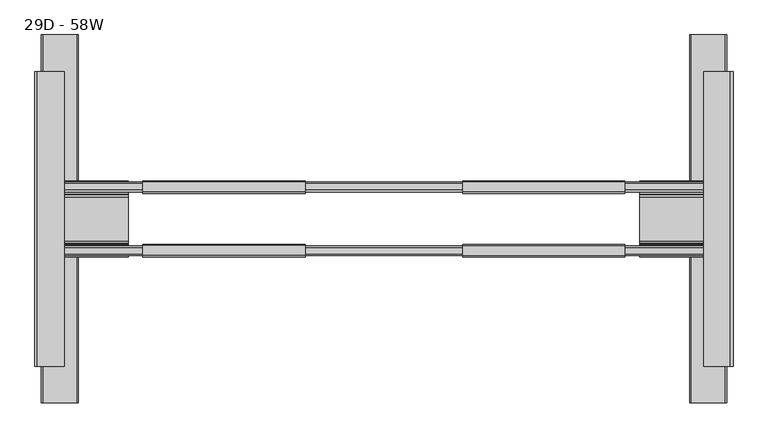
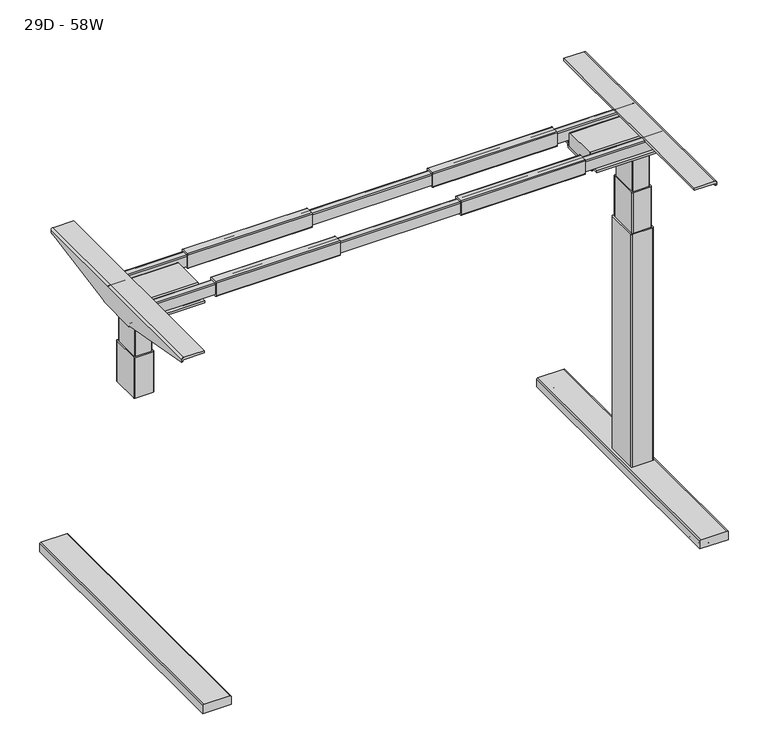
"""IFC4 building model written with IfcOpenShell, lengths in millimetres: furniture geometry, 29D - 58W."""

from ifc_helpers import new_model, si_unit, point, frame, frame_2d, origin, place, context, project, spatial, polyline, circle_curve, ellipse_curve, trimmed, segment, composite_curve, outline, extrude, source, transform, mapped, element, save
from ifc_brep_helpers import plane_surface, cylinder_surface, revolved_surface, advanced_brep


def furniture_29d_58w_14f71cb7(model_context):
    return source(origin(), model_context, "Body", "SolidModel", [
        advanced_brep(
        [(535.2852115, -150.3334851, 909.1839466), (538.0820226, -150.3334851, 909.1839466), (538.0820226, -385.7888843, 951.3697958), (535.2852115, -385.7888843, 951.3697958), (535.2852115, -146.691027, 905.5414885), (538.0820226, -146.691027, 905.5414885), (538.0820226, -389.9070922, 955.4880037), (535.2852115, -389.9070922, 955.4880037), (535.2852115, 210.2484, 955.4880037), (538.0820226, 210.2484, 955.4880037), (538.0820226, 206.1301921, 951.3697958), (535.2852115, 206.1301921, 951.3697958), (535.2852115, -29.325207, 909.1839466), (538.0820226, -29.325207, 909.1839466), (538.0820226, -32.9676652, 905.5414885), (535.2852115, -32.9676652, 905.5414885), (535.2852115, 210.5027662, 955.4880037), (538.0820226, 210.5027662, 955.4880037), (538.0820226, -389.9070922, 959.4495755), (532.6935981, -389.9070922, 964.838), (478.2709178, -389.9070922, 964.838), (478.2709178, -389.9070922, 958.7516941), (532.6935981, -389.9070922, 958.7516941), (535.2852115, -389.9070922, 956.1600806), (535.2852115, 210.5027662, 956.1600806), (532.6935981, 210.5027662, 958.7516941), (478.2709178, 210.5027662, 958.7516941), (478.2709178, 210.5027662, 964.838), (532.6935981, 210.5027662, 964.838), (538.0820226, 210.5027662, 959.4495755)],
        [
            (0, 1),
            (1, 2),
            (2, 3),
            (3, 0),
            (0, 4),
            (4, 5),
            (5, 1),
            (2, 6, circle_curve(frame((538.0820226, -385.7888843, 955.4880037), z_axis=(-1.0, 0.0, 0.0), x_axis=(0.0, -1.0, 0.0)), 4.1182079)),
            (6, 7),
            (7, 3, circle_curve(frame((535.2852115, -385.7888843, 955.4880037), z_axis=(1.0, 0.0, 0.0), x_axis=(0.0, -1.0, 0.0)), 4.1182079)),
            (8, 9),
            (9, 10, circle_curve(frame((538.0820226, 206.1301921, 955.4880037), z_axis=(-1.0, 0.0, 0.0), x_axis=(0.0, -1.0, 0.0)), 4.1182079)),
            (10, 11),
            (11, 8, circle_curve(frame((535.2852115, 206.1301921, 955.4880037), z_axis=(1.0, 0.0, 0.0), x_axis=(0.0, -1.0, 0.0)), 4.1182079)),
            (12, 13),
            (13, 14),
            (14, 15),
            (15, 12),
            (12, 11),
            (10, 13),
            (8, 16),
            (16, 17),
            (17, 9),
            (18, 19, circle_curve(frame((532.6935981, -389.9070922, 959.4495755), z_axis=(0.0, -1.0, 0.0), x_axis=(-1.0, 0.0, 0.0)), 5.3884245)),
            (19, 20),
            (20, 21),
            (21, 22),
            (22, 23, circle_curve(frame((532.6935981, -389.9070922, 956.1600806), z_axis=(0.0, 1.0, 0.0), x_axis=(-1.0, 0.0, 0.0)), 2.5916134)),
            (23, 7),
            (6, 18),
            (24, 25, circle_curve(frame((532.6935981, 210.5027662, 956.1600806), z_axis=(0.0, -1.0, 0.0), x_axis=(-1.0, 0.0, 0.0)), 2.5916134)),
            (25, 26),
            (26, 27),
            (27, 28),
            (28, 29, circle_curve(frame((532.6935981, 210.5027662, 959.4495755), z_axis=(0.0, 1.0, 0.0), x_axis=(-1.0, 0.0, 0.0)), 5.3884245)),
            (29, 17),
            (16, 24),
            (4, 15),
            (14, 5),
            (29, 18),
            (28, 19),
            (27, 20),
            (26, 21),
            (25, 22),
            (24, 23),
        ],
        [
            plane_surface(frame((907.5476074, -150.3334851, 909.1839466), z_axis=(0.0, -0.1763587768743843, -0.9843259530355639), x_axis=(-1.0, 0.0, 0.0))),
            plane_surface(frame((907.5476074, -144.9875385, 903.838), z_axis=(0.0, -0.7071067811840801, -0.7071067811890149), x_axis=(-1.0, 0.0, 0.0))),
            cylinder_surface(frame((524.8481849, -385.7888843, 955.4880037), z_axis=(-1.0, 0.0, 0.0), x_axis=(0.0, -1.0, 0.0)), 4.1182079),
            cylinder_surface(frame((381.0453952, 206.1301921, 955.4880037), z_axis=(-1.0, 0.0, 0.0), x_axis=(0.0, -1.0, 0.0)), 4.1182079),
            plane_surface(frame((907.5476074, -29.325207, 909.1839466), z_axis=(0.0, 0.7071067811846822, -0.7071067811884129), x_axis=(-1.0, 0.0, 0.0))),
            plane_surface(frame((907.5476074, 206.1301921, 951.3697958), z_axis=(0.0, 0.17635877687436452, -0.9843259530355675), x_axis=(-1.0, 0.0, 0.0))),
            plane_surface(frame((907.5476074, 226.0429078, 955.4880037), z_axis=(0.0, 0.0, -1.0), x_axis=(-1.0, 0.0, 0.0))),
            plane_surface(frame((535.2852115, -389.9070922, 905.5414885), z_axis=(0.0, -1.0, 0.0), x_axis=(1.0, 0.0, 0.0))),
            plane_surface(frame((535.2852115, 210.5027662, 905.5414885), z_axis=(0.0, 1.0, 0.0), x_axis=(-1.0, 0.0, 0.0))),
            plane_surface(frame((535.2852115, -389.9070922, 905.5414885), z_axis=(0.0, 0.0, -1.0), x_axis=(0.0, 1.0, 0.0))),
            plane_surface(frame((538.0820226, -389.9070922, 905.5414885), z_axis=(1.0, 0.0, 0.0), x_axis=(0.0, 1.0, 0.0))),
            cylinder_surface(frame((532.6935981, 210.5027662, 959.4495755), z_axis=(0.0, -1.0, 0.0), x_axis=(-1.0, 0.0, 0.0)), 5.3884245),
            plane_surface(frame((532.6935981, -389.9070922, 964.838), z_axis=(0.0, 0.0, 1.0), x_axis=(0.0, 1.0, 0.0))),
            plane_surface(frame((478.2709178, -389.9070922, 964.838), z_axis=(-1.0, 0.0, 0.0), x_axis=(0.0, 1.0, 0.0))),
            plane_surface(frame((478.2709178, -389.9070922, 958.7516941), z_axis=(0.0, 0.0, -1.0), x_axis=(0.0, 1.0, 0.0))),
            revolved_surface(polyline([(530.1019847, 210.5027662, 956.1600806), (530.1019847, -389.9070922000001, 956.1600806)]), (532.6935981, 210.5027662, 956.1600806), (0.0, 1.0, 0.0)),
            plane_surface(frame((535.2852115, -389.9070922, 956.1600806), z_axis=(-1.0, 0.0, 0.0), x_axis=(0.0, 1.0, 0.0))),
        ],
        [
            (0, [[1, 2, 3, 4]]),
            (1, [[-1, 5, 6, 7]]),
            (2, [[-3, 8, 9, 10]]),
            (3, [[11, 12, 13, 14]]),
            (4, [[15, 16, 17, 18]]),
            (5, [[-15, 19, -13, 20]]),
            (6, [[-11, 21, 22, 23]]),
            (7, [[24, 25, 26, 27, 28, 29, -9, 30]]),
            (8, [[31, 32, 33, 34, 35, 36, -22, 37]]),
            (9, [[38, -17, 39, -6]]),
            (10, [[40, -30, -8, -2, -7, -39, -16, -20, -12, -23, -36]]),
            (11, [[-24, -40, -35, 41]]),
            (12, [[-25, -41, -34, 42]]),
            (13, [[-26, -42, -33, 43]]),
            (14, [[-27, -43, -32, 44]]),
            (15, [[-28, -44, -31, 45]]),
            (16, [[-45, -37, -21, -14, -19, -18, -38, -5, -4, -10, -29]]),
        ],
    ),
        extrude(outline(composite_curve([segment(trimmed(circle_curve(frame_2d((-14.7471088, 926.8627064)), 2.54), [point((-12.2071088, 926.8627064))], [point((-14.7471088, 924.3227064))], False, "CARTESIAN"), True, "CONTINUOUS"), segment(polyline([(-14.7471088, 924.3227064), (-35.1360084, 924.3227064)]), True, "CONTINUOUS"), segment(trimmed(circle_curve(frame_2d((-35.1360084, 926.7938068)), 2.4711004), [point((-35.1360084, 924.3227064))], [point((-37.6071088, 926.7938068))], False, "CARTESIAN"), True, "CONTINUOUS"), segment(polyline([(-37.6071088, 926.7938068), (-37.6071088, 962.335389)]), True, "CONTINUOUS"), segment(trimmed(circle_curve(frame_2d((-35.1044978, 962.335389)), 2.502611), [point((-37.6071088, 962.335389))], [point((-35.1044978, 964.838))], False, "CARTESIAN"), True, "CONTINUOUS"), segment(polyline([(-35.1044978, 964.838), (-14.5661523, 964.838)]), True, "CONTINUOUS"), segment(trimmed(circle_curve(frame_2d((-14.5661523, 962.4789564)), 2.3590436), [point((-14.5661523, 964.838))], [point((-12.2071088, 962.4789564))], False, "CARTESIAN"), True, "CONTINUOUS"), segment(polyline([(-12.2071088, 962.4789564), (-12.2071088, 926.8627064)]), True, "CONTINUOUS")], self_intersect=False)), frame((-12.2002029, 0.0, 0.0), z_axis=(1.0, 0.0, 0.0), x_axis=(0.0, 1.0, 0.0)), (0.0, 0.0, 1.0), 330.2),
        extrude(outline(composite_curve([segment(polyline([(-167.0928912, 926.8627064), (-167.0928912, 962.4789564)]), True, "CONTINUOUS"), segment(trimmed(circle_curve(frame_2d((-164.7338476, 962.4789564)), 2.3590436), [point((-167.0928912, 962.4789564))], [point((-164.7338476, 964.838))], False, "CARTESIAN"), True, "CONTINUOUS"), segment(polyline([(-164.7338476, 964.838), (-144.1955021, 964.838)]), True, "CONTINUOUS"), segment(trimmed(circle_curve(frame_2d((-144.1955021, 962.335389)), 2.502611), [point((-144.1955021, 964.838))], [point((-141.6928912, 962.335389))], False, "CARTESIAN"), True, "CONTINUOUS"), segment(polyline([(-141.6928912, 962.335389), (-141.6928912, 926.7938068)]), True, "CONTINUOUS"), segment(trimmed(circle_curve(frame_2d((-144.1639916, 926.7938068)), 2.4711004), [point((-141.6928912, 926.7938068))], [point((-144.1639916, 924.3227064))], False, "CARTESIAN"), True, "CONTINUOUS"), segment(polyline([(-144.1639916, 924.3227064), (-164.5528912, 924.3227064)]), True, "CONTINUOUS"), segment(trimmed(circle_curve(frame_2d((-164.5528912, 926.8627064)), 2.54), [point((-164.5528912, 924.3227064))], [point((-167.0928912, 926.8627064))], False, "CARTESIAN"), True, "CONTINUOUS")], self_intersect=False)), frame((-12.2002029, 0.0, 0.0), z_axis=(1.0, 0.0, 0.0), x_axis=(0.0, 1.0, 0.0)), (0.0, 0.0, 1.0), 330.2),
        extrude(outline(composite_curve([segment(polyline([(-33.2519551, 919.2076117), (-34.3060318, 913.460656)]), True, "CONTINUOUS"), segment(trimmed(circle_curve(frame_2d((-39.4101754, 914.3968315)), 5.1892877), [point((-34.3060318, 913.460656))], [point((-39.4101754, 909.2075438))], False, "CARTESIAN"), True, "CONTINUOUS"), segment(polyline([(-39.4101754, 909.2075438), (-140.2485168, 909.2075438)]), True, "CONTINUOUS"), segment(trimmed(circle_curve(frame_2d((-140.2485168, 914.3968315)), 5.1892877), [point((-140.2485168, 909.2075438))], [point((-145.3526604, 913.460656))], False, "CARTESIAN"), True, "CONTINUOUS"), segment(polyline([(-145.3526604, 913.460656), (-146.4067371, 919.2076117), (-167.4065503, 919.2076117), (-167.4065503, 924.3227064), (-146.9084633, 924.3227064)]), True, "CONTINUOUS"), segment(trimmed(circle_curve(frame_2d((-146.9084633, 918.7459909)), 5.5767155), [point((-146.9084633, 924.3227064))], [point((-141.4231172, 919.7513434))], False, "CARTESIAN"), True, "CONTINUOUS"), segment(polyline([(-141.4231172, 919.7513434), (-140.4070664, 914.2076262), (-39.8084764, 914.2076262), (-38.7924256, 919.7513434)]), True, "CONTINUOUS"), segment(trimmed(circle_curve(frame_2d((-33.3070795, 918.7459909)), 5.5767155), [point((-38.7924256, 919.7513434))], [point((-33.3070795, 924.3227064))], False, "CARTESIAN"), True, "CONTINUOUS"), segment(polyline([(-33.3070795, 924.3227064), (-12.4076779, 924.3227064), (-12.4076779, 919.2076117), (-33.2519551, 919.2076117)]), True, "CONTINUOUS")], self_intersect=False)), frame((348.0631648, 0.0, 0.0), z_axis=(1.0, 0.0, 0.0), x_axis=(0.0, 1.0, 0.0)), (0.0, 0.0, 1.0), 184.6304333),
        extrude(outline(composite_curve([segment(polyline([(7.9650038, 449.7737802), (7.9650038, 524.8481849), (30.0204767, 524.8481849)]), True, "CONTINUOUS"), segment(trimmed(circle_curve(frame_2d((30.0204767, 521.8675777)), 2.9806072), [point((30.0204767, 524.8481849))], [point((33.0010839, 521.8675777))], False, "CARTESIAN"), True, "CONTINUOUS"), segment(polyline([(33.0010839, 521.8675777), (33.0010839, 452.9442027)]), True, "CONTINUOUS"), segment(trimmed(circle_curve(frame_2d((29.8306613, 452.9442027)), 3.1704226), [point((33.0010839, 452.9442027))], [point((29.8306613, 449.7737802))], False, "CARTESIAN"), True, "CONTINUOUS"), segment(polyline([(29.8306613, 449.7737802), (7.9650038, 449.7737802)]), True, "CONTINUOUS")], self_intersect=False)), frame((0.0, -464.3, 0.0), z_axis=(0.0, 1.0, 0.0), x_axis=(0.0, 0.0, 1.0)), (0.0, 0.0, 1.0), 749.3),
        extrude(outline(composite_curve([segment(polyline([(-41.2469317, 952.5307128), (-39.9079858, 914.2076262), (-139.9065816, 914.2076262), (-138.5676823, 952.5307082)]), True, "CONTINUOUS"), segment(trimmed(circle_curve(frame_2d((-134.7600055, 952.3976788)), 3.81), [point((-138.5676823, 952.5307082))], [point((-134.7600055, 956.2076788))], False, "CARTESIAN"), True, "CONTINUOUS"), segment(polyline([(-134.7600055, 956.2076788), (-45.0546084, 956.2076788)]), True, "CONTINUOUS"), segment(trimmed(circle_curve(frame_2d((-45.0546084, 952.3976788)), 3.81), [point((-45.0546084, 956.2076788))], [point((-41.2469317, 952.5307128))], False, "CARTESIAN"), True, "CONTINUOUS")], self_intersect=False)), frame((348.0631648, 0.0, 0.0), z_axis=(1.0, 0.0, 0.0), x_axis=(0.0, 1.0, 0.0)), (0.0, 0.0, 1.0), 184.6304333),
        advanced_brep(
        [(538.0820226, -389.9070922, 959.4495755), (532.6935981, -389.9070922, 964.838), (478.2709178, -389.9070922, 964.838), (478.2709178, -389.9070922, 958.7516941), (532.6935981, -389.9070922, 958.7516941), (535.2852115, -389.9070922, 956.1600806), (535.2852115, -389.9070922, 955.4880037), (538.0820226, -389.9070922, 955.4880037), (535.2852115, 210.5027662, 956.1600806), (532.6935981, 210.5027662, 958.7516941), (478.2709178, 210.5027662, 958.7516941), (478.2709178, 210.5027662, 964.838), (532.6935981, 210.5027662, 964.838), (538.0820226, 210.5027662, 959.4495755), (538.0820226, 210.5027662, 955.4880037), (535.2852115, 210.5027662, 955.4880037), (535.2852115, -150.3334851, 909.1839466), (538.0820226, -150.3334851, 909.1839466), (538.0820226, -385.7888843, 951.3697958), (535.2852115, -385.7888843, 951.3697958), (535.2852115, -146.691027, 905.5414885), (538.0820226, -146.691027, 905.5414885), (535.2852115, 210.2484, 955.4880037), (538.0820226, 210.2484, 955.4880037), (538.0820226, 206.1301921, 951.3697958), (535.2852115, 206.1301921, 951.3697958), (535.2852115, -29.325207, 909.1839466), (538.0820226, -29.325207, 909.1839466), (538.0820226, -32.9676652, 905.5414885), (535.2852115, -32.9676652, 905.5414885)],
        [
            (0, 1, circle_curve(frame((532.6935981, -389.9070922, 959.4495755), z_axis=(0.0, -1.0, 0.0), x_axis=(-1.0, 0.0, 0.0)), 5.3884245)),
            (1, 2),
            (2, 3),
            (3, 4),
            (4, 5, circle_curve(frame((532.6935981, -389.9070922, 956.1600806), z_axis=(0.0, 1.0, 0.0), x_axis=(-1.0, 0.0, 0.0)), 2.5916134)),
            (5, 6),
            (6, 7),
            (7, 0),
            (8, 9, circle_curve(frame((532.6935981, 210.5027662, 956.1600806), z_axis=(0.0, -1.0, 0.0), x_axis=(-1.0, 0.0, 0.0)), 2.5916134)),
            (9, 10),
            (10, 11),
            (11, 12),
            (12, 13, circle_curve(frame((532.6935981, 210.5027662, 959.4495755), z_axis=(0.0, 1.0, 0.0), x_axis=(-1.0, 0.0, 0.0)), 5.3884245)),
            (13, 14),
            (14, 15),
            (15, 8),
            (16, 17),
            (17, 18),
            (18, 19),
            (19, 16),
            (16, 20),
            (20, 21),
            (21, 17),
            (18, 7, circle_curve(frame((538.0820226, -385.7888843, 955.4880037), z_axis=(-1.0, 0.0, 0.0), x_axis=(0.0, -1.0, 0.0)), 4.1182079)),
            (6, 19, circle_curve(frame((535.2852115, -385.7888843, 955.4880037), z_axis=(1.0, 0.0, 0.0), x_axis=(0.0, -1.0, 0.0)), 4.1182079)),
            (22, 23),
            (23, 24, circle_curve(frame((538.0820226, 206.1301921, 955.4880037), z_axis=(-1.0, 0.0, 0.0), x_axis=(0.0, -1.0, 0.0)), 4.1182079)),
            (24, 25),
            (25, 22, circle_curve(frame((535.2852115, 206.1301921, 955.4880037), z_axis=(1.0, 0.0, 0.0), x_axis=(0.0, -1.0, 0.0)), 4.1182079)),
            (26, 27),
            (27, 28),
            (28, 29),
            (29, 26),
            (26, 25),
            (24, 27),
            (22, 15),
            (14, 23),
            (20, 29),
            (28, 21),
            (13, 0),
            (12, 1),
            (11, 2),
            (10, 3),
            (9, 4),
            (8, 5),
        ],
        [
            plane_surface(frame((535.2852115, -389.9070922, 905.5414885), z_axis=(0.0, -1.0, 0.0), x_axis=(1.0, 0.0, 0.0))),
            plane_surface(frame((535.2852115, 210.5027662, 905.5414885), z_axis=(0.0, 1.0, 0.0), x_axis=(-1.0, 0.0, 0.0))),
            plane_surface(frame((907.5476074, -150.3334851, 909.1839466), z_axis=(0.0, -0.1763587768743843, -0.9843259530355639), x_axis=(-1.0, 0.0, 0.0))),
            plane_surface(frame((907.5476074, -144.9875385, 903.838), z_axis=(0.0, -0.7071067811840801, -0.7071067811890149), x_axis=(-1.0, 0.0, 0.0))),
            cylinder_surface(frame((524.8481849, -385.7888843, 955.4880037), z_axis=(-1.0, 0.0, 0.0), x_axis=(0.0, -1.0, 0.0)), 4.1182079),
            cylinder_surface(frame((381.0453952, 206.1301921, 955.4880037), z_axis=(-1.0, 0.0, 0.0), x_axis=(0.0, -1.0, 0.0)), 4.1182079),
            plane_surface(frame((907.5476074, -29.325207, 909.1839466), z_axis=(0.0, 0.7071067811846822, -0.7071067811884129), x_axis=(-1.0, 0.0, 0.0))),
            plane_surface(frame((907.5476074, 206.1301921, 951.3697958), z_axis=(0.0, 0.17635877687436452, -0.9843259530355675), x_axis=(-1.0, 0.0, 0.0))),
            plane_surface(frame((907.5476074, 226.0429078, 955.4880037), z_axis=(0.0, 0.0, -1.0), x_axis=(-1.0, 0.0, 0.0))),
            plane_surface(frame((535.2852115, -389.9070922, 905.5414885), z_axis=(0.0, 0.0, -1.0), x_axis=(0.0, 1.0, 0.0))),
            plane_surface(frame((538.0820226, -389.9070922, 905.5414885), z_axis=(1.0, 0.0, 0.0), x_axis=(0.0, 1.0, 0.0))),
            cylinder_surface(frame((532.6935981, 210.5027662, 959.4495755), z_axis=(0.0, -1.0, 0.0), x_axis=(-1.0, 0.0, 0.0)), 5.3884245),
            plane_surface(frame((532.6935981, -389.9070922, 964.838), z_axis=(0.0, 0.0, 1.0), x_axis=(0.0, 1.0, 0.0))),
            plane_surface(frame((478.2709178, -389.9070922, 964.838), z_axis=(-1.0, 0.0, 0.0), x_axis=(0.0, 1.0, 0.0))),
            plane_surface(frame((478.2709178, -389.9070922, 958.7516941), z_axis=(0.0, 0.0, -1.0), x_axis=(0.0, 1.0, 0.0))),
            revolved_surface(polyline([(530.1019847, 210.5027662, 956.1600806), (530.1019847, -389.9070922000001, 956.1600806)]), (532.6935981, 210.5027662, 956.1600806), (0.0, 1.0, 0.0)),
            plane_surface(frame((535.2852115, -389.9070922, 956.1600806), z_axis=(-1.0, 0.0, 0.0), x_axis=(0.0, 1.0, 0.0))),
        ],
        [
            (0, [[1, 2, 3, 4, 5, 6, 7, 8]]),
            (1, [[9, 10, 11, 12, 13, 14, 15, 16]]),
            (2, [[17, 18, 19, 20]]),
            (3, [[-17, 21, 22, 23]]),
            (4, [[-19, 24, -7, 25]]),
            (5, [[26, 27, 28, 29]]),
            (6, [[30, 31, 32, 33]]),
            (7, [[-30, 34, -28, 35]]),
            (8, [[-26, 36, -15, 37]]),
            (9, [[38, -32, 39, -22]]),
            (10, [[40, -8, -24, -18, -23, -39, -31, -35, -27, -37, -14]]),
            (11, [[-1, -40, -13, 41]]),
            (12, [[-2, -41, -12, 42]]),
            (13, [[-3, -42, -11, 43]]),
            (14, [[-4, -43, -10, 44]]),
            (15, [[-5, -44, -9, 45]]),
            (16, [[-45, -16, -36, -29, -34, -33, -38, -21, -20, -25, -6]]),
        ],
    ),
        extrude(outline(composite_curve([segment(polyline([(7.9650038, -794.214186), (29.8306613, -794.214186)]), True, "CONTINUOUS"), segment(trimmed(circle_curve(frame_2d((29.8306613, -797.3846086)), 3.1704226), [point((29.8306613, -794.214186))], [point((33.0010839, -797.3846086))], False, "CARTESIAN"), True, "CONTINUOUS"), segment(polyline([(33.0010839, -797.3846086), (33.0010839, -866.3079836)]), True, "CONTINUOUS"), segment(trimmed(circle_curve(frame_2d((30.0204767, -866.3079836)), 2.9806072), [point((33.0010839, -866.3079836))], [point((30.0204767, -869.2885908))], False, "CARTESIAN"), True, "CONTINUOUS"), segment(polyline([(30.0204767, -869.2885908), (7.9650038, -869.2885908), (7.9650038, -794.214186)]), True, "CONTINUOUS")], self_intersect=False)), frame((0.0, -464.3, 0.0), z_axis=(0.0, 1.0, 0.0), x_axis=(0.0, 0.0, 1.0)), (0.0, 0.0, 1.0), 749.3),
        advanced_brep(
        [(-879.8331206, -389.9070922, 956.0077948), (-877.0892213, -389.9070922, 958.7516941), (-822.4519689, -389.9070922, 958.7516941), (-822.4519689, -389.9070922, 964.838), (-876.8745206, -389.9070922, 964.838), (-882.1321032, -389.9070922, 959.5804174), (-882.1321032, -389.9070922, 955.4880037), (-879.8331206, -389.9070922, 955.4880037), (-882.1321032, 210.5027662, 959.5804174), (-876.8745206, 210.5027662, 964.838), (-822.4519689, 210.5027662, 964.838), (-822.4519689, 210.5027662, 958.7516941), (-877.0892213, 210.5027662, 958.7516941), (-879.8331206, 210.5027662, 956.0077948), (-879.8331206, 210.5027662, 955.4880037), (-882.1321032, 210.5027662, 955.4880037), (-879.8331206, -385.7888843, 951.3697958), (-879.8331206, -150.3334851, 909.1839466), (-879.8331206, -146.691027, 905.5414885), (-879.8331206, -32.9676652, 905.5414885), (-879.8331206, -29.325207, 909.1839466), (-879.8331206, 206.1301921, 951.3697958), (-879.8331206, 210.2484, 955.4880037), (-882.1321032, 210.2484, 955.4880037), (-882.1321032, 206.1301921, 951.3697958), (-882.1321032, -29.325207, 909.1839466), (-882.1321032, -32.9676652, 905.5414885), (-882.1321032, -146.691027, 905.5414885), (-882.1321032, -150.3334851, 909.1839466), (-882.1321032, -385.7888843, 951.3697958)],
        [
            (0, 1, circle_curve(frame((-877.0892213, -389.9070922, 956.0077948), z_axis=(0.0, 1.0, 0.0), x_axis=(1.0, 0.0, 0.0)), 2.7438992)),
            (1, 2),
            (2, 3),
            (3, 4),
            (4, 5, circle_curve(frame((-876.8745206, -389.9070922, 959.5804174), z_axis=(0.0, -1.0, 0.0), x_axis=(1.0, 0.0, 0.0)), 5.2575826)),
            (5, 6),
            (6, 7),
            (7, 0),
            (8, 9, circle_curve(frame((-876.8745206, 210.5027662, 959.5804174), z_axis=(0.0, 1.0, 0.0), x_axis=(1.0, 0.0, 0.0)), 5.2575826)),
            (9, 10),
            (10, 11),
            (11, 12),
            (12, 13, circle_curve(frame((-877.0892213, 210.5027662, 956.0077948), z_axis=(0.0, -1.0, 0.0), x_axis=(1.0, 0.0, 0.0)), 2.7438992)),
            (13, 14),
            (14, 15),
            (15, 8),
            (13, 0),
            (7, 16, circle_curve(frame((-879.8331206, -385.7888843, 955.4880037), z_axis=(1.0, 0.0, 0.0), x_axis=(0.0, -1.0, 0.0)), 4.1182079)),
            (16, 17),
            (17, 18),
            (18, 19),
            (19, 20),
            (20, 21),
            (21, 22, circle_curve(frame((-879.8331206, 206.1301921, 955.4880037), z_axis=(1.0, 0.0, 0.0), x_axis=(0.0, -1.0, 0.0)), 4.1182079)),
            (22, 14),
            (12, 1),
            (11, 2),
            (10, 3),
            (9, 4),
            (8, 5),
            (15, 23),
            (23, 24, circle_curve(frame((-882.1321032, 206.1301921, 955.4880037), z_axis=(-1.0, 0.0, 0.0), x_axis=(0.0, -1.0, 0.0)), 4.1182079)),
            (24, 25),
            (25, 26),
            (26, 27),
            (27, 28),
            (28, 29),
            (29, 6, circle_curve(frame((-882.1321032, -385.7888843, 955.4880037), z_axis=(-1.0, 0.0, 0.0), x_axis=(0.0, -1.0, 0.0)), 4.1182079)),
            (18, 27),
            (26, 19),
            (16, 29),
            (28, 17),
            (21, 24),
            (23, 22),
            (25, 20),
        ],
        [
            plane_surface(frame((-879.8331206, -389.9070922, 956.0077948), z_axis=(0.0, -1.0, 0.0), x_axis=(0.0, 0.0, 1.0))),
            plane_surface(frame((-879.8331206, 210.5027662, 956.0077948), z_axis=(0.0, 1.0, 0.0), x_axis=(0.0, 0.0, -1.0))),
            plane_surface(frame((-879.8331206, -389.9070922, 905.5414885), z_axis=(1.0, 0.0, 0.0), x_axis=(0.0, 1.0, 0.0))),
            revolved_surface(polyline([(-874.3453221, 210.5027662, 956.0077948), (-874.3453221, -389.9070922000001, 956.0077948)]), (-877.0892213, 210.5027662, 956.0077948), (0.0, 1.0, 0.0)),
            plane_surface(frame((-877.0892213, -389.9070922, 958.7516941), z_axis=(0.0, 0.0, -1.0), x_axis=(0.0, 1.0, 0.0))),
            plane_surface(frame((-822.4519689, -389.9070922, 958.7516941), z_axis=(1.0, 0.0, 0.0), x_axis=(0.0, 1.0, 0.0))),
            plane_surface(frame((-822.4519689, -389.9070922, 964.838), z_axis=(0.0, 0.0, 1.0), x_axis=(0.0, 1.0, 0.0))),
            cylinder_surface(frame((-876.8745206, 210.5027662, 959.5804174), z_axis=(0.0, -1.0, 0.0), x_axis=(1.0, 0.0, 0.0)), 5.2575826),
            plane_surface(frame((-882.1321032, -389.9070922, 959.5804174), z_axis=(-1.0, 0.0, 0.0), x_axis=(0.0, 1.0, 0.0))),
            plane_surface(frame((-882.1321032, -389.9070922, 905.5414885), z_axis=(0.0, 0.0, -1.0), x_axis=(0.0, 1.0, 0.0))),
            plane_surface(frame((-968.255801, -385.7888843, 951.3697958), z_axis=(0.0, -0.17635877687438245, -0.9843259530355644), x_axis=(1.0, 0.0, 0.0))),
            plane_surface(frame((-968.255801, -150.3334851, 909.1839466), z_axis=(0.0, -0.7071067811843679, -0.7071067811887274), x_axis=(1.0, 0.0, 0.0))),
            cylinder_surface(frame((-794.214186, -385.7888843, 955.4880037), z_axis=(1.0, 0.0, 0.0), x_axis=(0.0, -1.0, 0.0)), 4.1182079),
            cylinder_surface(frame((-877.134004, 206.1301921, 955.4880037), z_axis=(1.0, 0.0, 0.0), x_axis=(0.0, -1.0, 0.0)), 4.1182079),
            plane_surface(frame((-968.255801, -34.6711537, 903.838), z_axis=(0.0, 0.707106781184962, -0.7071067811881332), x_axis=(1.0, 0.0, 0.0))),
            plane_surface(frame((-968.255801, -29.325207, 909.1839466), z_axis=(0.0, 0.17635877687435986, -0.9843259530355684), x_axis=(1.0, 0.0, 0.0))),
            plane_surface(frame((-968.255801, 210.2484, 955.4880037), z_axis=(0.0, 0.0, -1.0), x_axis=(1.0, 0.0, 0.0))),
        ],
        [
            (0, [[1, 2, 3, 4, 5, 6, 7, 8]]),
            (1, [[9, 10, 11, 12, 13, 14, 15, 16]]),
            (2, [[17, -8, 18, 19, 20, 21, 22, 23, 24, 25, -14]]),
            (3, [[-1, -17, -13, 26]]),
            (4, [[-2, -26, -12, 27]]),
            (5, [[-3, -27, -11, 28]]),
            (6, [[-4, -28, -10, 29]]),
            (7, [[-5, -29, -9, 30]]),
            (8, [[-30, -16, 31, 32, 33, 34, 35, 36, 37, 38, -6]]),
            (9, [[-21, 39, -35, 40]]),
            (10, [[41, -37, 42, -19]]),
            (11, [[-42, -36, -39, -20]]),
            (12, [[-41, -18, -7, -38]]),
            (13, [[43, -32, 44, -24]]),
            (14, [[45, -22, -40, -34]]),
            (15, [[-43, -23, -45, -33]]),
            (16, [[-44, -31, -15, -25]]),
        ],
    ),
        extrude(outline(composite_curve([segment(polyline([(-41.2469317, 952.5307128), (-39.9079858, 914.2076262), (-139.9065816, 914.2076262), (-138.5676823, 952.5307082)]), True, "CONTINUOUS"), segment(trimmed(circle_curve(frame_2d((-134.7600055, 952.3976788)), 3.81), [point((-138.5676823, 952.5307082))], [point((-134.7600055, 956.2076788))], False, "CARTESIAN"), True, "CONTINUOUS"), segment(polyline([(-134.7600055, 956.2076788), (-45.0546084, 956.2076788)]), True, "CONTINUOUS"), segment(trimmed(circle_curve(frame_2d((-45.0546084, 952.3976788)), 3.81), [point((-45.0546084, 956.2076788))], [point((-41.2469317, 952.5307128))], False, "CARTESIAN"), True, "CONTINUOUS")], self_intersect=False)), frame((-877.134004, 0.0, 0.0), z_axis=(1.0, 0.0, 0.0), x_axis=(0.0, 1.0, 0.0)), (0.0, 0.0, 1.0), 184.6304333),
        extrude(outline(composite_curve([segment(trimmed(circle_curve(frame_2d((-14.7471088, 926.8627064)), 2.54), [point((-12.2071088, 926.8627064))], [point((-14.7471088, 924.3227064))], False, "CARTESIAN"), True, "CONTINUOUS"), segment(polyline([(-14.7471088, 924.3227064), (-35.1360084, 924.3227064)]), True, "CONTINUOUS"), segment(trimmed(circle_curve(frame_2d((-35.1360084, 926.7938068)), 2.4711004), [point((-35.1360084, 924.3227064))], [point((-37.6071088, 926.7938068))], False, "CARTESIAN"), True, "CONTINUOUS"), segment(polyline([(-37.6071088, 926.7938068), (-37.6071088, 962.335389)]), True, "CONTINUOUS"), segment(trimmed(circle_curve(frame_2d((-35.1044978, 962.335389)), 2.502611), [point((-37.6071088, 962.335389))], [point((-35.1044978, 964.838))], False, "CARTESIAN"), True, "CONTINUOUS"), segment(polyline([(-35.1044978, 964.838), (-14.5661523, 964.838)]), True, "CONTINUOUS"), segment(trimmed(circle_curve(frame_2d((-14.5661523, 962.4789564)), 2.3590436), [point((-14.5661523, 964.838))], [point((-12.2071088, 962.4789564))], False, "CARTESIAN"), True, "CONTINUOUS"), segment(polyline([(-12.2071088, 962.4789564), (-12.2071088, 926.8627064)]), True, "CONTINUOUS")], self_intersect=False)), frame((-662.4402029, 0.0, 0.0), z_axis=(1.0, 0.0, 0.0), x_axis=(0.0, 1.0, 0.0)), (0.0, 0.0, 1.0), 330.2),
        extrude(outline(composite_curve([segment(polyline([(-167.0928912, 926.8627064), (-167.0928912, 962.4789564)]), True, "CONTINUOUS"), segment(trimmed(circle_curve(frame_2d((-164.7338476, 962.4789564)), 2.3590436), [point((-167.0928912, 962.4789564))], [point((-164.7338476, 964.838))], False, "CARTESIAN"), True, "CONTINUOUS"), segment(polyline([(-164.7338476, 964.838), (-144.1955021, 964.838)]), True, "CONTINUOUS"), segment(trimmed(circle_curve(frame_2d((-144.1955021, 962.335389)), 2.502611), [point((-144.1955021, 964.838))], [point((-141.6928912, 962.335389))], False, "CARTESIAN"), True, "CONTINUOUS"), segment(polyline([(-141.6928912, 962.335389), (-141.6928912, 926.7938068)]), True, "CONTINUOUS"), segment(trimmed(circle_curve(frame_2d((-144.1639916, 926.7938068)), 2.4711004), [point((-141.6928912, 926.7938068))], [point((-144.1639916, 924.3227064))], False, "CARTESIAN"), True, "CONTINUOUS"), segment(polyline([(-144.1639916, 924.3227064), (-164.5528912, 924.3227064)]), True, "CONTINUOUS"), segment(trimmed(circle_curve(frame_2d((-164.5528912, 926.8627064)), 2.54), [point((-164.5528912, 924.3227064))], [point((-167.0928912, 926.8627064))], False, "CARTESIAN"), True, "CONTINUOUS")], self_intersect=False)), frame((-662.4402029, 0.0, 0.0), z_axis=(1.0, 0.0, 0.0), x_axis=(0.0, 1.0, 0.0)), (0.0, 0.0, 1.0), 330.2),
        extrude(outline(composite_curve([segment(polyline([(-17.2071995, 929.7075037), (-17.2071995, 957.7493189)]), True, "CONTINUOUS"), segment(trimmed(circle_curve(frame_2d((-17.7653829, 957.7493189)), 0.5581833), [point((-17.2071995, 957.7493189))], [point((-17.7653829, 958.3075022))], True, "CARTESIAN"), True, "CONTINUOUS"), segment(polyline([(-17.7653829, 958.3075022), (-32.0446392, 958.3075022)]), True, "CONTINUOUS"), segment(trimmed(circle_curve(frame_2d((-32.0446392, 957.7453353)), 0.5621669), [point((-32.0446392, 958.3075022))], [point((-32.6068061, 957.7453353))], True, "CARTESIAN"), True, "CONTINUOUS"), segment(polyline([(-32.6068061, 957.7453353), (-32.6068061, 929.7075037), (-34.6069553, 929.7075037), (-34.6069553, 957.0637358)]), True, "CONTINUOUS"), segment(trimmed(circle_curve(frame_2d((-31.3632141, 957.0637358)), 3.2437412), [point((-34.6069553, 957.0637358))], [point((-31.3632141, 960.307477))], False, "CARTESIAN"), True, "CONTINUOUS"), segment(polyline([(-31.3632141, 960.307477), (-18.1757591, 960.307477)]), True, "CONTINUOUS"), segment(trimmed(circle_curve(frame_2d((-18.1757591, 957.3390338)), 2.9684433), [point((-18.1757591, 960.307477))], [point((-15.2073159, 957.3390338))], False, "CARTESIAN"), True, "CONTINUOUS"), segment(polyline([(-15.2073159, 957.3390338), (-15.2073159, 929.7075037), (-17.2071995, 929.7075037)]), True, "CONTINUOUS")], self_intersect=False)), frame((-877.134004, 0.0, 0.0), z_axis=(1.0, 0.0, 0.0), x_axis=(0.0, 1.0, 0.0)), (0.0, 0.0, 1.0), 1409.8276021),
        extrude(outline(composite_curve([segment(polyline([(-162.0928004, 929.7075037), (-164.0926841, 929.7075037), (-164.0926841, 957.3390338)]), True, "CONTINUOUS"), segment(trimmed(circle_curve(frame_2d((-161.1242409, 957.3390338)), 2.9684433), [point((-164.0926841, 957.3390338))], [point((-161.1242409, 960.307477))], False, "CARTESIAN"), True, "CONTINUOUS"), segment(polyline([(-161.1242409, 960.307477), (-147.9367859, 960.307477)]), True, "CONTINUOUS"), segment(trimmed(circle_curve(frame_2d((-147.9367859, 957.0637358)), 3.2437412), [point((-147.9367859, 960.307477))], [point((-144.6930446, 957.0637358))], False, "CARTESIAN"), True, "CONTINUOUS"), segment(polyline([(-144.6930446, 957.0637358), (-144.6930446, 929.7075037), (-146.6931939, 929.7075037), (-146.6931939, 957.7453353)]), True, "CONTINUOUS"), segment(trimmed(circle_curve(frame_2d((-147.2553607, 957.7453353)), 0.5621669), [point((-146.6931939, 957.7453353))], [point((-147.2553607, 958.3075022))], True, "CARTESIAN"), True, "CONTINUOUS"), segment(polyline([(-147.2553607, 958.3075022), (-161.5346171, 958.3075022)]), True, "CONTINUOUS"), segment(trimmed(circle_curve(frame_2d((-161.5346171, 957.7493189)), 0.5581833), [point((-161.5346171, 958.3075022))], [point((-162.0928004, 957.7493189))], True, "CARTESIAN"), True, "CONTINUOUS"), segment(polyline([(-162.0928004, 957.7493189), (-162.0928004, 929.7075037)]), True, "CONTINUOUS")], self_intersect=False)), frame((-877.134004, 0.0, 0.0), z_axis=(1.0, 0.0, 0.0), x_axis=(0.0, 1.0, 0.0)), (0.0, 0.0, 1.0), 1409.8276021),
        extrude(outline(composite_curve([segment(polyline([(-33.2519551, 919.2076117), (-34.3060318, 913.460656)]), True, "CONTINUOUS"), segment(trimmed(circle_curve(frame_2d((-39.4101754, 914.3968315)), 5.1892877), [point((-34.3060318, 913.460656))], [point((-39.4101754, 909.2075438))], False, "CARTESIAN"), True, "CONTINUOUS"), segment(polyline([(-39.4101754, 909.2075438), (-140.2485168, 909.2075438)]), True, "CONTINUOUS"), segment(trimmed(circle_curve(frame_2d((-140.2485168, 914.3968315)), 5.1892877), [point((-140.2485168, 909.2075438))], [point((-145.3526604, 913.460656))], False, "CARTESIAN"), True, "CONTINUOUS"), segment(polyline([(-145.3526604, 913.460656), (-146.4067371, 919.2076117), (-167.4065503, 919.2076117), (-167.4065503, 924.3227064), (-146.9084633, 924.3227064)]), True, "CONTINUOUS"), segment(trimmed(circle_curve(frame_2d((-146.9084633, 918.7459909)), 5.5767155), [point((-146.9084633, 924.3227064))], [point((-141.4231172, 919.7513434))], False, "CARTESIAN"), True, "CONTINUOUS"), segment(polyline([(-141.4231172, 919.7513434), (-140.4070664, 914.2076262), (-39.8084764, 914.2076262), (-38.7924256, 919.7513434)]), True, "CONTINUOUS"), segment(trimmed(circle_curve(frame_2d((-33.3070795, 918.7459909)), 5.5767155), [point((-38.7924256, 919.7513434))], [point((-33.3070795, 924.3227064))], False, "CARTESIAN"), True, "CONTINUOUS"), segment(polyline([(-33.3070795, 924.3227064), (-12.4076779, 924.3227064), (-12.4076779, 919.2076117), (-33.2519551, 919.2076117)]), True, "CONTINUOUS")], self_intersect=False)), frame((-877.134004, 0.0, 0.0), z_axis=(1.0, 0.0, 0.0), x_axis=(0.0, 1.0, 0.0)), (0.0, 0.0, 1.0), 184.6304333),
        extrude(outline(composite_curve([segment(polyline([(511.3221968, -54.2270856), (511.3221968, -125.4900105)]), True, "CONTINUOUS"), segment(trimmed(circle_curve(frame_2d((508.905087, -125.4900105)), 2.4171098), [point((511.3221968, -125.4900105))], [point((508.905087, -127.9071202))], False, "CARTESIAN"), True, "CONTINUOUS"), segment(polyline([(508.905087, -127.9071202), (467.8071326, -127.9071202)]), True, "CONTINUOUS"), segment(trimmed(circle_curve(frame_2d((467.8071326, -125.4221821)), 2.4849381), [point((467.8071326, -127.9071202))], [point((465.3221945, -125.4221821))], False, "CARTESIAN"), True, "CONTINUOUS"), segment(polyline([(465.3221945, -125.4221821), (465.3221945, -54.3162346)]), True, "CONTINUOUS"), segment(trimmed(circle_curve(frame_2d((467.731321, -54.3162346)), 2.4091266), [point((465.3221945, -54.3162346))], [point((467.731321, -51.907108))], False, "CARTESIAN"), True, "CONTINUOUS"), segment(polyline([(467.731321, -51.907108), (509.0022192, -51.907108)]), True, "CONTINUOUS"), segment(trimmed(circle_curve(frame_2d((509.0022192, -54.2270856)), 2.3199776), [point((509.0022192, -51.907108))], [point((511.3221968, -54.2270856))], False, "CARTESIAN"), True, "CONTINUOUS")], self_intersect=False)), frame((0.0, 0.0, 800.3325033), z_axis=(0.0, 0.0, 1.0), x_axis=(1.0, 0.0, 0.0)), (0.0, 0.0, 1.0), 108.5061054),
        extrude(outline(composite_curve([segment(polyline([(514.702453, -50.8117855), (514.702453, -129.0024129)]), True, "CONTINUOUS"), segment(trimmed(circle_curve(frame_2d((512.2977655, -129.0024129)), 2.4046875), [point((514.702453, -129.0024129))], [point((512.2977655, -131.4071004))], False, "CARTESIAN"), True, "CONTINUOUS"), segment(polyline([(512.2977655, -131.4071004), (464.8222143, -131.4071004)]), True, "CONTINUOUS"), segment(trimmed(circle_curve(frame_2d((464.8222143, -128.4071004)), 3.0), [point((464.8222143, -131.4071004))], [point((461.8222143, -128.4071004))], False, "CARTESIAN"), True, "CONTINUOUS"), segment(polyline([(461.8222143, -128.4071004), (461.8222143, -51.4071173)]), True, "CONTINUOUS"), segment(trimmed(circle_curve(frame_2d((464.8222211, -51.4071173)), 3.0000068), [point((461.8222143, -51.4071173))], [point((464.8222181, -48.4071105))], False, "CARTESIAN"), True, "CONTINUOUS"), segment(polyline([(464.8222181, -48.4071105), (512.2977755, -48.4071105)]), True, "CONTINUOUS"), segment(trimmed(circle_curve(frame_2d((512.297778, -50.8117855)), 2.404675), [point((512.2977755, -48.4071105))], [point((514.702453, -50.8117855))], False, "CARTESIAN"), True, "CONTINUOUS")], self_intersect=False)), frame((0.0, 0.0, 686.4934248), z_axis=(0.0, 0.0, 1.0), x_axis=(1.0, 0.0, 0.0)), (0.0, 0.0, 1.0), 113.8390785),
        extrude(outline(composite_curve([segment(polyline([(-855.5031471, -125.5047834), (-855.5031471, -54.3009714)]), True, "CONTINUOUS"), segment(trimmed(circle_curve(frame_2d((-853.1092837, -54.3009714)), 2.3938634), [point((-855.5031471, -54.3009714))], [point((-853.1092837, -51.907108))], False, "CARTESIAN"), True, "CONTINUOUS"), segment(polyline([(-853.1092837, -51.907108), (-811.8868848, -51.907108)]), True, "CONTINUOUS"), segment(trimmed(circle_curve(frame_2d((-811.8868848, -54.2908395)), 2.3837315), [point((-811.8868848, -51.907108))], [point((-809.5031533, -54.2908395))], False, "CARTESIAN"), True, "CONTINUOUS"), segment(polyline([(-809.5031533, -54.2908395), (-809.5031533, -125.55911)]), True, "CONTINUOUS"), segment(trimmed(circle_curve(frame_2d((-811.8511606, -125.55911)), 2.3480073), [point((-809.5031533, -125.55911))], [point((-811.8511606, -127.9071172))], False, "CARTESIAN"), True, "CONTINUOUS"), segment(polyline([(-811.8511606, -127.9071172), (-853.1008132, -127.9071172)]), True, "CONTINUOUS"), segment(trimmed(circle_curve(frame_2d((-853.1008132, -125.5047834)), 2.4023339), [point((-853.1008132, -127.9071172))], [point((-855.5031471, -125.5047834))], False, "CARTESIAN"), True, "CONTINUOUS")], self_intersect=False)), frame((0.0, 0.0, 800.3325033), z_axis=(0.0, 0.0, 1.0), x_axis=(1.0, 0.0, 0.0)), (0.0, 0.0, 1.0), 108.5061054),
        extrude(outline(composite_curve([segment(polyline([(-858.9948193, -128.4000021), (-858.9948193, -51.4071325)]), True, "CONTINUOUS"), segment(trimmed(circle_curve(frame_2d((-855.9948138, -51.4071333)), 3.0000054), [point((-858.9948193, -51.4071325))], [point((-855.9948138, -48.4071279))], False, "CARTESIAN"), True, "CONTINUOUS"), segment(polyline([(-855.9948138, -48.4071279), (-809.0031872, -48.4071279)]), True, "CONTINUOUS"), segment(trimmed(circle_curve(frame_2d((-809.0031872, -51.4071279)), 3.0), [point((-809.0031872, -48.4071279))], [point((-806.0031872, -51.4071293))], False, "CARTESIAN"), True, "CONTINUOUS"), segment(polyline([(-806.0031872, -51.4071293), (-806.0031872, -128.3999654)]), True, "CONTINUOUS"), segment(trimmed(circle_curve(frame_2d((-809.0032232, -128.399964)), 3.000036), [point((-806.0031872, -128.3999654))], [point((-809.0032232, -131.4))], False, "CARTESIAN"), True, "CONTINUOUS"), segment(polyline([(-809.0032232, -131.4), (-855.9948222, -131.4)]), True, "CONTINUOUS"), segment(trimmed(circle_curve(frame_2d((-855.9948222, -128.400003)), 2.999997), [point((-855.9948222, -131.4))], [point((-858.9948193, -128.4000021))], False, "CARTESIAN"), True, "CONTINUOUS")], self_intersect=False)), frame((0.0, 0.0, 686.4934248), z_axis=(0.0, 0.0, 1.0), x_axis=(1.0, 0.0, 0.0)), (0.0, 0.0, 1.0), 113.8390785),
        extrude(outline(composite_curve([segment(trimmed(circle_curve(frame_2d((515.2041449, -131.9071339)), 2.9999955), [point((518.2041404, -131.9071339))], [point((515.2041476, -134.9071294))], False, "CARTESIAN"), True, "CONTINUOUS"), segment(polyline([(515.2041476, -134.9071294), (461.3223335, -134.9071294)]), True, "CONTINUOUS"), segment(trimmed(circle_curve(frame_2d((461.3223308, -131.9071414)), 2.9999881), [point((461.3223335, -134.9071294))], [point((458.3223427, -131.9071414))], False, "CARTESIAN"), True, "CONTINUOUS"), segment(polyline([(458.3223427, -131.9071414), (458.3223427, -47.9071553)]), True, "CONTINUOUS"), segment(trimmed(circle_curve(frame_2d((461.3223507, -47.9071553)), 3.0000079), [point((458.3223427, -47.9071553))], [point((461.3223441, -44.9071474))], False, "CARTESIAN"), True, "CONTINUOUS"), segment(polyline([(461.3223441, -44.9071474), (515.204164, -44.9071474)]), True, "CONTINUOUS"), segment(trimmed(circle_curve(frame_2d((515.204164, -47.9071238)), 2.9999764), [point((515.204164, -44.9071474))], [point((518.2041404, -47.9071238))], False, "CARTESIAN"), True, "CONTINUOUS"), segment(polyline([(518.2041404, -47.9071238), (518.2041404, -131.9071339)]), True, "CONTINUOUS")], self_intersect=False)), frame((0.0, 0.0, 32.9997018), z_axis=(0.0, 0.0, 1.0), x_axis=(1.0, 0.0, 0.0)), (0.0, 0.0, 1.0), 653.493723),
        advanced_brep(
        [(488.1797971, 235.0, 0.0), (488.1797971, 265.4578394, 0.0), (488.1797971, 204.5421606, 0.0), (488.1797971, 267.4920424, 2.034203), (488.1797971, 202.5079576, 2.034203), (488.1797971, 267.4920424, 5.0424709), (488.1797971, 202.5079576, 5.0424709), (488.1797971, 265.4727521, 7.0617612), (488.1797971, 204.5272479, 7.0617612), (488.1797971, 242.5497574, 9.288914), (488.1797971, 227.4502426, 9.288914), (488.1797971, 235.0, 9.288914)],
        [
            (0, 1),
            (1, 2, circle_curve(frame((488.1797971, 235.0, 0.0), z_axis=(0.0, 0.0, -1.0), x_axis=(0.0, 1.0, 0.0)), 30.4578394)),
            (2, 0),
            (2, 1, circle_curve(frame((488.1797971, 235.0, 0.0), z_axis=(0.0, 0.0, -1.0), x_axis=(0.0, 1.0, 0.0)), 30.4578394)),
            (1, 3, circle_curve(frame((488.1797971, 265.4578394, 2.034203), z_axis=(1.0, 0.0, 0.0), x_axis=(0.0, 1.0, 0.0)), 2.034203)),
            (3, 4, circle_curve(frame((488.1797971, 235.0, 2.034203), z_axis=(0.0, 0.0, -1.0), x_axis=(0.0, 1.0, 0.0)), 32.4920424)),
            (4, 2, circle_curve(frame((488.1797971, 204.5421606, 2.034203), z_axis=(1.0, 0.0, 0.0), x_axis=(0.0, -1.0, 0.0)), 2.034203)),
            (4, 3, circle_curve(frame((488.1797971, 235.0, 2.034203), z_axis=(0.0, 0.0, -1.0), x_axis=(0.0, 1.0, 0.0)), 32.4920424)),
            (3, 5),
            (5, 6, circle_curve(frame((488.1797971, 235.0, 5.0424709), z_axis=(0.0, 0.0, -1.0), x_axis=(0.0, 1.0, 0.0)), 32.4920424)),
            (6, 4),
            (6, 5, circle_curve(frame((488.1797971, 235.0, 5.0424709), z_axis=(0.0, 0.0, -1.0), x_axis=(0.0, 1.0, 0.0)), 32.4920424)),
            (5, 7, circle_curve(frame((488.1797971, 265.4727521, 5.0424709), z_axis=(1.0, 0.0, 0.0), x_axis=(0.0, 1.0, 0.0)), 2.0192902)),
            (7, 8, circle_curve(frame((488.1797971, 235.0, 7.0617612), z_axis=(0.0, 0.0, -1.0), x_axis=(0.0, 1.0, 0.0)), 30.4727521)),
            (8, 6, circle_curve(frame((488.1797971, 204.5272479, 5.0424709), z_axis=(1.0, 0.0, 0.0), x_axis=(0.0, -1.0, 0.0)), 2.0192902)),
            (8, 7, circle_curve(frame((488.1797971, 235.0, 7.0617612), z_axis=(0.0, 0.0, -1.0), x_axis=(0.0, 1.0, 0.0)), 30.4727521)),
            (7, 9),
            (9, 10, circle_curve(frame((488.1797971, 235.0, 9.288914), z_axis=(0.0, 0.0, -1.0), x_axis=(0.0, 1.0, 0.0)), 7.5497574)),
            (10, 8),
            (10, 9, circle_curve(frame((488.1797971, 235.0, 9.288914), z_axis=(0.0, 0.0, -1.0), x_axis=(0.0, 1.0, 0.0)), 7.5497574)),
            (9, 11),
            (11, 10),
        ],
        [
            plane_surface(frame((488.1797971, 235.0, 0.0), z_axis=(0.0, 0.0, -1.0), x_axis=(0.0, 1.0, 0.0))),
            revolved_surface(trimmed(ellipse_curve(frame((488.1797971, 265.4578394, 2.034203), z_axis=(-1.0, 0.0, 0.0), x_axis=(0.0, 1.0, 0.0)), 2.034203, 2.034203), [point((488.1797971, 267.4920424, 2.034203))], [point((488.1797971, 265.4578394, 0.0))], True, "CARTESIAN"), (488.1797971, 235.0, 13.4607192), (0.0, 0.0, -1.0)),
            cylinder_surface(frame((488.1797971, 235.0, 13.4607192), z_axis=(0.0, 0.0, -1.0), x_axis=(0.0, 1.0, 0.0)), 32.4920424),
            revolved_surface(trimmed(ellipse_curve(frame((488.1797971, 265.4727521, 5.0424709), z_axis=(-1.0, 0.0, 0.0), x_axis=(0.0, 1.0, 0.0)), 2.0192902, 2.0192902), [point((488.1797971, 265.4727521, 7.0617612))], [point((488.1797971, 267.4920424, 5.0424709))], True, "CARTESIAN"), (488.1797971, 235.0, 13.4607192), (0.0, 0.0, -1.0)),
            revolved_surface(polyline([(488.1797971, 242.5497574, 9.288914), (488.1797971, 265.4727521, 7.0617612)]), (488.1797971, 235.0, 13.4607192), (0.0, 0.0, -1.0)),
            plane_surface(frame((488.1797971, 235.0, 9.288914), z_axis=(0.0, 0.0, 1.0), x_axis=(0.0, 1.0, 0.0))),
        ],
        [
            (0, [[1, 2, 3]]),
            (0, [[-3, 4, -1]]),
            (1, [[-2, 5, 6, 7]]),
            (1, [[-4, -7, 8, -5]]),
            (2, [[-6, 9, 10, 11]]),
            (2, [[-8, -11, 12, -9]]),
            (3, [[-10, 13, 14, 15]]),
            (3, [[-12, -15, 16, -13]]),
            (4, [[-14, 17, 18, 19]]),
            (4, [[-16, -19, 20, -17]]),
            (5, [[-18, 21, 22]]),
            (5, [[-20, -22, -21]]),
        ],
    ),
        advanced_brep(
        [(488.1797971, -414.065619, 0.0), (488.1797971, -383.6077796, 0.0), (488.1797971, -444.5234584, 0.0), (488.1797971, -381.5735766, 2.034203), (488.1797971, -446.5576613, 2.034203), (488.1797971, -381.5735766, 5.0424709), (488.1797971, -446.5576613, 5.0424709), (488.1797971, -383.5928669, 7.0617612), (488.1797971, -444.5383711, 7.0617612), (488.1797971, -406.5158615, 9.288914), (488.1797971, -421.6153764, 9.288914), (488.1797971, -414.065619, 9.288914)],
        [
            (0, 1),
            (1, 2, circle_curve(frame((488.1797971, -414.065619, 0.0), z_axis=(0.0, 0.0, -1.0), x_axis=(0.0, 1.0, 0.0)), 30.4578394)),
            (2, 0),
            (2, 1, circle_curve(frame((488.1797971, -414.065619, 0.0), z_axis=(0.0, 0.0, -1.0), x_axis=(0.0, 1.0, 0.0)), 30.4578394)),
            (1, 3, circle_curve(frame((488.1797971, -383.6077796, 2.034203), z_axis=(1.0, 0.0, 0.0), x_axis=(0.0, 1.0, 0.0)), 2.034203)),
            (3, 4, circle_curve(frame((488.1797971, -414.065619, 2.034203), z_axis=(0.0, 0.0, -1.0), x_axis=(0.0, 1.0, 0.0)), 32.4920424)),
            (4, 2, circle_curve(frame((488.1797971, -444.5234584, 2.034203), z_axis=(1.0, 0.0, 0.0), x_axis=(0.0, -1.0, 0.0)), 2.034203)),
            (4, 3, circle_curve(frame((488.1797971, -414.065619, 2.034203), z_axis=(0.0, 0.0, -1.0), x_axis=(0.0, 1.0, 0.0)), 32.4920424)),
            (3, 5),
            (5, 6, circle_curve(frame((488.1797971, -414.065619, 5.0424709), z_axis=(0.0, 0.0, -1.0), x_axis=(0.0, 1.0, 0.0)), 32.4920424)),
            (6, 4),
            (6, 5, circle_curve(frame((488.1797971, -414.065619, 5.0424709), z_axis=(0.0, 0.0, -1.0), x_axis=(0.0, 1.0, 0.0)), 32.4920424)),
            (5, 7, circle_curve(frame((488.1797971, -383.5928669, 5.0424709), z_axis=(1.0, 0.0, 0.0), x_axis=(0.0, 1.0, 0.0)), 2.0192902)),
            (7, 8, circle_curve(frame((488.1797971, -414.065619, 7.0617612), z_axis=(0.0, 0.0, -1.0), x_axis=(0.0, 1.0, 0.0)), 30.4727521)),
            (8, 6, circle_curve(frame((488.1797971, -444.5383711, 5.0424709), z_axis=(1.0, 0.0, 0.0), x_axis=(0.0, -1.0, 0.0)), 2.0192902)),
            (8, 7, circle_curve(frame((488.1797971, -414.065619, 7.0617612), z_axis=(0.0, 0.0, -1.0), x_axis=(0.0, 1.0, 0.0)), 30.4727521)),
            (7, 9),
            (9, 10, circle_curve(frame((488.1797971, -414.065619, 9.288914), z_axis=(0.0, 0.0, -1.0), x_axis=(0.0, 1.0, 0.0)), 7.5497574)),
            (10, 8),
            (10, 9, circle_curve(frame((488.1797971, -414.065619, 9.288914), z_axis=(0.0, 0.0, -1.0), x_axis=(0.0, 1.0, 0.0)), 7.5497574)),
            (9, 11),
            (11, 10),
        ],
        [
            plane_surface(frame((488.1797971, -414.065619, 0.0), z_axis=(0.0, 0.0, -1.0), x_axis=(0.0, 1.0, 0.0))),
            revolved_surface(trimmed(ellipse_curve(frame((488.1797971, -383.6077796, 2.034203), z_axis=(-1.0, 0.0, 0.0), x_axis=(0.0, 1.0, 0.0)), 2.034203, 2.034203), [point((488.1797971, -381.5735766, 2.034203))], [point((488.1797971, -383.6077796, 0.0))], True, "CARTESIAN"), (488.1797971, -414.065619, 13.4607192), (0.0, 0.0, -1.0)),
            cylinder_surface(frame((488.1797971, -414.065619, 13.4607192), z_axis=(0.0, 0.0, -1.0), x_axis=(0.0, 1.0, 0.0)), 32.4920424),
            revolved_surface(trimmed(ellipse_curve(frame((488.1797971, -383.5928669, 5.0424709), z_axis=(-1.0, 0.0, 0.0), x_axis=(0.0, 1.0, 0.0)), 2.0192902, 2.0192902), [point((488.1797971, -383.5928669, 7.0617612))], [point((488.1797971, -381.5735766, 5.0424709))], True, "CARTESIAN"), (488.1797971, -414.065619, 13.4607192), (0.0, 0.0, -1.0)),
            revolved_surface(polyline([(488.1797971, -406.5158615, 9.288914), (488.1797971, -383.5928669, 7.0617612)]), (488.1797971, -414.065619, 13.4607192), (0.0, 0.0, -1.0)),
            plane_surface(frame((488.1797971, -414.065619, 9.288914), z_axis=(0.0, 0.0, 1.0), x_axis=(0.0, 1.0, 0.0))),
        ],
        [
            (0, [[1, 2, 3]]),
            (0, [[-3, 4, -1]]),
            (1, [[-2, 5, 6, 7]]),
            (1, [[-4, -7, 8, -5]]),
            (2, [[-6, 9, 10, 11]]),
            (2, [[-8, -11, 12, -9]]),
            (3, [[-10, 13, 14, 15]]),
            (3, [[-12, -15, 16, -13]]),
            (4, [[-14, 17, 18, 19]]),
            (4, [[-16, -19, 20, -17]]),
            (5, [[-18, 21, 22]]),
            (5, [[-20, -22, -21]]),
        ],
    ),
    ])


if __name__ == "__main__":
    model = new_model("IFC4")
    model_context = context("Model", 3, world=origin())
    ifc_project = project(units=[si_unit("LENGTHUNIT", "METRE", prefix="MILLI")], contexts=[model_context])
    site = spatial("IfcSite", under=ifc_project)
    building = spatial("IfcBuilding", under=site)
    placement = place(None, origin())
    furniture_29d_58w_shape = furniture_29d_58w_14f71cb7(model_context)
    element("IfcFurniture", 1, ObjectType="29D - 58W", at=placement, inside=building, context=model_context, shape_type="MappedRepresentation", body=[
        mapped(furniture_29d_58w_shape, transform((0.0, 0.0, 0.0), x_axis=(1.0, 0.0, 0.0), y_axis=(0.0, 1.0, 0.0), z_axis=(0.0, 0.0, 1.0))),
    ])
    save(model, "model.ifc")
